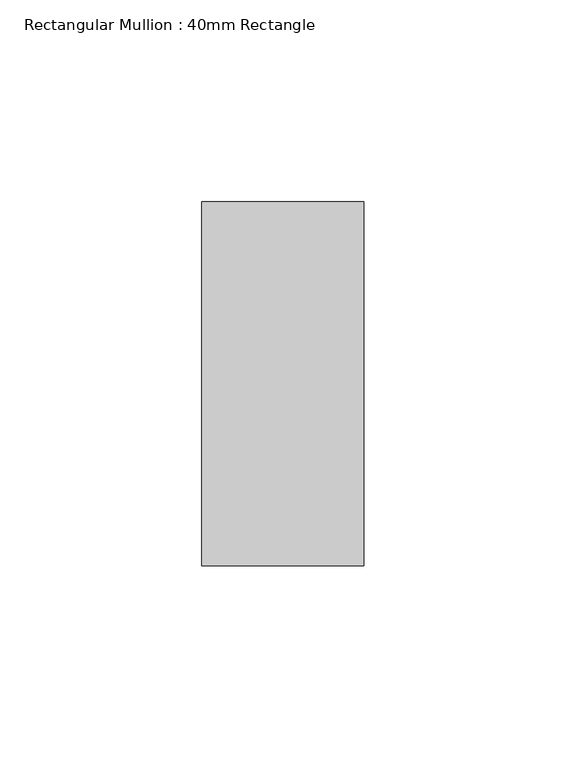
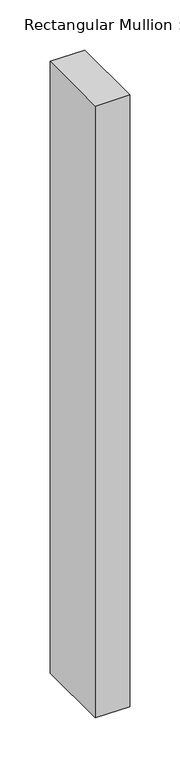
"""IFC4 building model written with IfcOpenShell, lengths in millimetres: member geometry, Rectangular Mullion : 40mm Rectangle."""

from ifc_helpers import new_model, si_unit, frame, origin, place, context, project, spatial, polyline, outline, extrude, source, transform, mapped, element, save


def rectangular_mullion_40mm_rectangle_be23c5da(model_context):
    return source(origin(), model_context, "Body", "SweptSolid", [
        extrude(outline(polyline([(-40.0, 45.0), (0.0, 45.0), (0.0, -45.0), (-40.0, -45.0), (-40.0, 45.0)])), frame((0.0, 0.0, -746.6666667), z_axis=(0.0, 0.0, 1.0), x_axis=(1.0, 0.0, 0.0)), (0.0, 0.0, 1.0), 746.6666667),
    ])


if __name__ == "__main__":
    model = new_model("IFC4")
    model_context = context("Model", 3, world=origin())
    ifc_project = project(units=[si_unit("LENGTHUNIT", "METRE", prefix="MILLI")], contexts=[model_context])
    site = spatial("IfcSite", under=ifc_project)
    building = spatial("IfcBuilding", under=site)
    placement = place(None, origin())
    rectangular_mullion_40mm_rectangle_shape = rectangular_mullion_40mm_rectangle_be23c5da(model_context)
    element("IfcMember", 1, ObjectType="Rectangular Mullion : 40mm Rectangle", at=placement, inside=building, context=model_context, shape_type="MappedRepresentation", body=[
        mapped(rectangular_mullion_40mm_rectangle_shape, transform((0.0, 0.0, 0.0), x_axis=(1.0, 0.0, 0.0), y_axis=(0.0, 1.0, 0.0), z_axis=(0.0, 0.0, 1.0))),
    ])
    save(model, "model.ifc")
